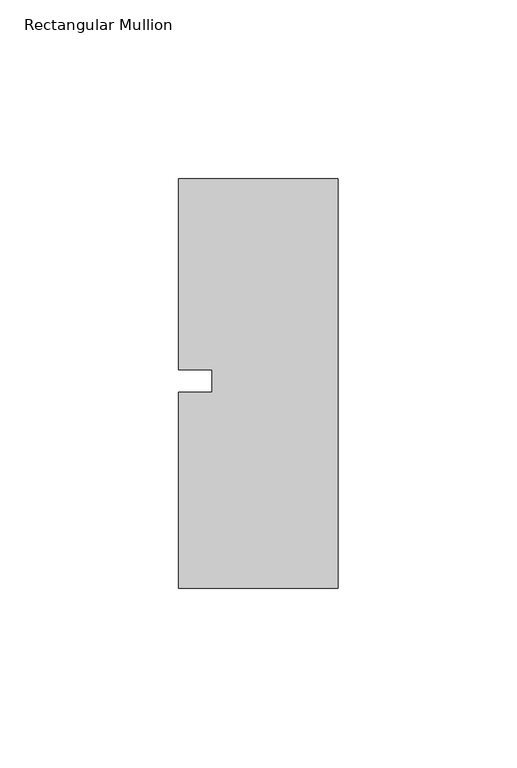
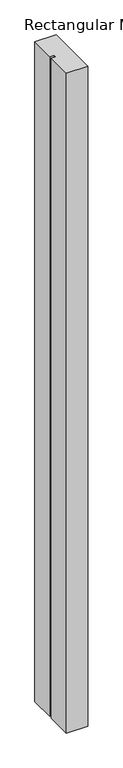
"""IFC4 building model written with IfcOpenShell, lengths in millimetres: member geometry, Rectangular Mullion."""

from ifc_helpers import new_model, si_unit, frame, origin, place, context, project, spatial, polyline, outline, extrude, source, transform, mapped, element, save


def rectangular_mullion_36dcebf6(model_context):
    return source(origin(), model_context, "Body", "SweptSolid", [
        extrude(outline(polyline([(-44.45, -57.15), (-44.45, -2.4907362), (-35.1375243, -2.4907362), (-35.1375243, 3.8592638), (-44.45, 3.8592638), (-44.45, 57.15), (0.0, 57.15), (0.0, -57.15), (-44.45, -57.15)])), frame((0.0, 0.0, -1457.325), z_axis=(0.0, 0.0, 1.0), x_axis=(1.0, 0.0, 0.0)), (0.0, 0.0, 1.0), 1457.325),
    ])


if __name__ == "__main__":
    model = new_model("IFC4")
    model_context = context("Model", 3, world=origin())
    ifc_project = project(units=[si_unit("LENGTHUNIT", "METRE", prefix="MILLI")], contexts=[model_context])
    site = spatial("IfcSite", under=ifc_project)
    building = spatial("IfcBuilding", under=site)
    placement = place(None, origin())
    rectangular_mullion_shape = rectangular_mullion_36dcebf6(model_context)
    element("IfcMember", 1, ObjectType="Rectangular Mullion", at=placement, inside=building, context=model_context, shape_type="MappedRepresentation", body=[
        mapped(rectangular_mullion_shape, transform((0.0, 0.0, 0.0), x_axis=(1.0, 0.0, 0.0), y_axis=(0.0, 1.0, 0.0), z_axis=(0.0, 0.0, 1.0))),
    ])
    save(model, "model.ifc")
